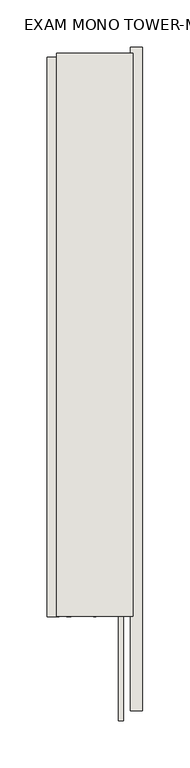
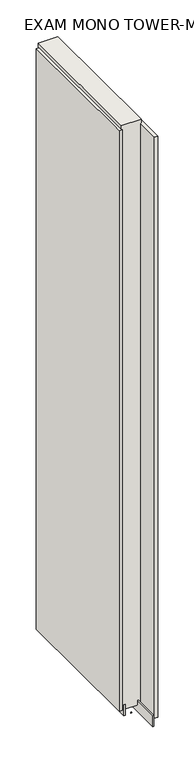
"""IFC4 building model written with IfcOpenShell, lengths in millimetres: wall geometry, EXAM MONO TOWER-MONO ACCENT MEDIA 470363 : EXAM MONO TOWER-MONO ACCENT MEDIA 470363."""

from ifc_helpers import new_model, si_unit, frame, origin, place, context, project, spatial, polyline, outline, extrude, source, transform, mapped, element, save


def exam_mono_tower_mono_accent_media_470363_exam_mono_tower_e1742448(model_context):
    return source(origin(), model_context, "Body", "SweptSolid", [
        extrude(outline(polyline([(64721.142211, -52768.1763024), (64721.142211, -52765.6363024), (64723.682211, -52765.6363024), (64723.682211, -52768.1763024), (64721.142211, -52768.1763024)])), frame((0.0, 0.0, 4419.6), z_axis=(0.0, 0.0, 1.0), x_axis=(1.0, 0.0, 0.0)), (0.0, 0.0, 1.0), 2.54),
        extrude(outline(polyline([(64773.212211, -52164.846013), (64773.212211, -52868.346003), (64760.512211, -52868.346003), (64760.512211, -52164.846013), (64773.212211, -52164.846013)])), frame((0.0, 0.0, 4445.0), z_axis=(0.0, 0.0, 1.0), x_axis=(1.0, 0.0, 0.0)), (0.0, 0.0, 1.0), 2545.0498756),
        extrude(outline(polyline([(64671.612211, -52768.6455928), (64671.612211, -52175.7456356), (64684.312211, -52175.7456356), (64684.312211, -52768.6455928), (64671.612211, -52768.6455928)])), frame((0.0, 0.0, 4445.0), z_axis=(0.0, 0.0, 1.0), x_axis=(1.0, 0.0, 0.0)), (0.0, 0.0, 1.0), 2545.0498756),
        extrude(outline(polyline([(64747.4959556, -52878.7878414), (64747.4959556, -52171.2713494), (64752.574711, -52171.2713494), (64752.574711, -52878.7878414), (64747.4959556, -52878.7878414)])), frame((0.0, 0.0, 4418.6602), z_axis=(0.0, 0.0, 1.0), x_axis=(1.0, 0.0, 0.0)), (0.0, 0.0, 1.0), 47.625),
        extrude(outline(polyline([(64747.4959556, -52878.7878414), (64747.4959556, -52171.2713494), (64752.574711, -52171.2713494), (64752.574711, -52878.7878414), (64747.4959556, -52878.7878414)])), frame((0.0, 0.0, 4418.6602), z_axis=(0.0, 0.0, 1.0), x_axis=(1.0, 0.0, 0.0)), (0.0, 0.0, 1.0), 47.625),
        extrude(outline(polyline([(64697.3284664, -52171.2713494), (64697.3284664, -52768.1713494), (64692.249711, -52768.1713494), (64692.249711, -52171.2713494), (64697.3284664, -52171.2713494)])), frame((0.0, 0.0, 4418.6602), z_axis=(0.0, 0.0, 1.0), x_axis=(1.0, 0.0, 0.0)), (0.0, 0.0, 1.0), 47.625),
        extrude(outline(polyline([(64697.3284664, -52171.2713494), (64697.3284664, -52768.1713494), (64692.249711, -52768.1713494), (64692.249711, -52171.2713494), (64697.3284664, -52171.2713494)])), frame((0.0, 0.0, 4418.6602), z_axis=(0.0, 0.0, 1.0), x_axis=(1.0, 0.0, 0.0)), (0.0, 0.0, 1.0), 47.625),
        extrude(outline(polyline([(64763.0670954, -52768.1713494), (64681.7573266, -52768.1713494), (64681.7573266, -52171.2713494), (64763.0670954, -52171.2713494), (64763.0670954, -52768.1713494)])), frame((0.0, 0.0, 4445.0), z_axis=(0.0, 0.0, 1.0), x_axis=(1.0, 0.0, 0.0)), (0.0, 0.0, 1.0), 2562.4536762),
    ])


if __name__ == "__main__":
    model = new_model("IFC4")
    model_context = context("Model", 3, world=origin())
    ifc_project = project(units=[si_unit("LENGTHUNIT", "METRE", prefix="MILLI")], contexts=[model_context])
    site = spatial("IfcSite", under=ifc_project)
    building = spatial("IfcBuilding", under=site)
    placement = place(None, origin())
    exam_mono_tower_mono_accent_media_470363_exam_mono_tower_shape = exam_mono_tower_mono_accent_media_470363_exam_mono_tower_e1742448(model_context)
    element("IfcWall", 1, ObjectType="EXAM MONO TOWER-MONO ACCENT MEDIA 470363 : EXAM MONO TOWER-MONO ACCENT MEDIA 470363", at=placement, inside=building, context=model_context, shape_type="MappedRepresentation", body=[
        mapped(exam_mono_tower_mono_accent_media_470363_exam_mono_tower_shape, transform((0.0, 0.0, 0.0), x_axis=(1.0, 0.0, 0.0), y_axis=(0.0, 1.0, 0.0), z_axis=(0.0, 0.0, 1.0))),
    ])
    save(model, "model.ifc")
